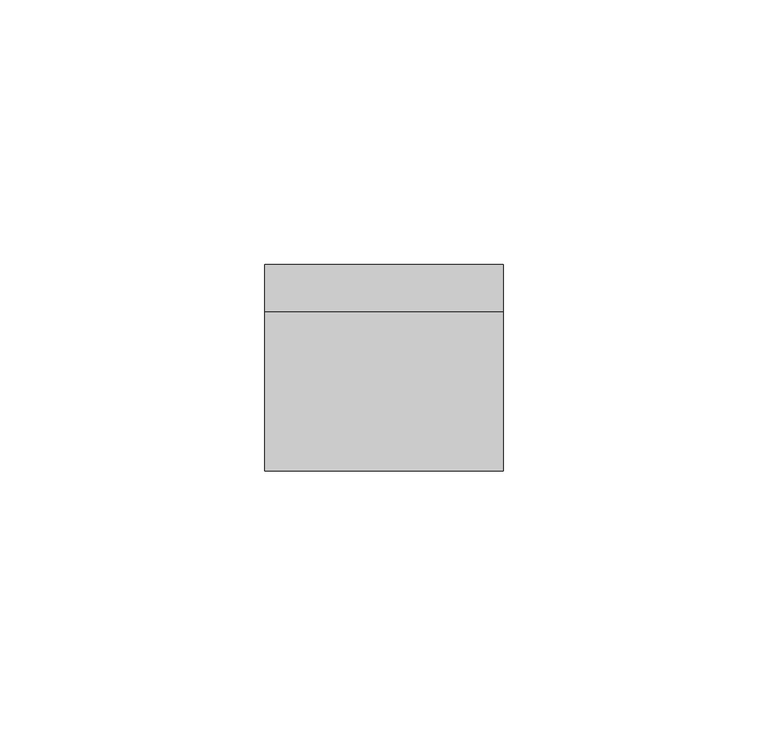
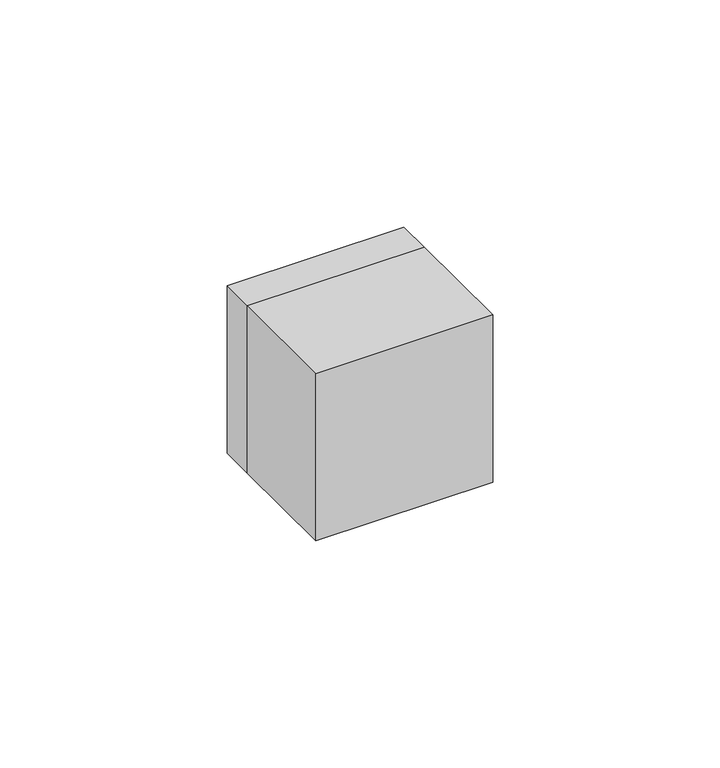
"""IFC4 building model written with IfcOpenShell, lengths in millimetres: electric appliance geometry."""

from ifc_helpers import new_model, si_unit, frame, origin, place, context, project, spatial, polyline, outline, extrude, source, transform, mapped, element, save


def electric_appliance_96c4d0c9(model_context):
    return source(origin(), model_context, "Body", "SweptSolid", [
        extrude(outline(polyline([(-4.0, 0.0), (-11.0, 0.0), (-11.0, 6.0), (-4.0, 6.0), (-4.0, 0.0)])), frame((0.0, 0.0, 4.0), z_axis=(0.0, 0.0, 1.0), x_axis=(1.0, 0.0, 0.0)), (0.0, 0.0, 1.0), 1.0),
        extrude(outline(polyline([(11.0, 0.0), (4.0, 0.0), (4.0, 6.0), (11.0, 6.0), (11.0, 0.0)])), frame((0.0, 0.0, 4.0), z_axis=(0.0, 0.0, 1.0), x_axis=(1.0, 0.0, 0.0)), (0.0, 0.0, 1.0), 1.0),
        extrude(outline(polyline([(22.5, -30.0), (-22.5, -30.0), (-22.5, 0.0), (22.5, 0.0), (22.5, -30.0)])), frame((0.0, 0.0, -22.5), z_axis=(0.0, 0.0, 1.0), x_axis=(1.0, 0.0, 0.0)), (0.0, 0.0, 1.0), 45.0),
        extrude(outline(polyline([(22.5, 22.5), (22.5, -22.5), (-22.5, -22.5), (-22.5, 22.5), (22.5, 22.5)]), holes=[polyline([(-6.0, 1.0), (8.0, 1.0), (8.0, 14.0), (-6.0, 14.0), (-6.0, 1.0)]), polyline([(-6.0, -14.0), (8.0, -14.0), (8.0, -1.0), (-6.0, -1.0), (-6.0, -14.0)])]), frame((0.0, 0.0, 0.0), z_axis=(0.0, 1.0, 0.0), x_axis=(0.0, 0.0, 1.0)), (0.0, 0.0, 1.0), 9.0),
        extrude(outline(polyline([(7.8, 13.8), (7.8, 1.2), (-5.8, 1.2), (-5.8, 13.8), (7.8, 13.8)]), holes=[polyline([(-3.5, 4.0), (-2.0, 4.0), (-2.0, 2.5), (5.0, 2.5), (5.0, 12.5), (-2.0, 12.5), (-2.0, 11.0), (-3.5, 11.0), (-3.5, 9.5), (-5.0, 9.5), (-5.0, 5.5), (-3.5, 5.5), (-3.5, 4.0)])]), frame((0.0, 0.0, 0.0), z_axis=(0.0, 1.0, 0.0), x_axis=(0.0, 0.0, 1.0)), (0.0, 0.0, 1.0), 9.0),
        extrude(outline(polyline([(7.8, -1.2), (7.8, -13.8), (-5.8, -13.8), (-5.8, -1.2), (7.8, -1.2)]), holes=[polyline([(-3.5, -11.0), (-2.0, -11.0), (-2.0, -12.5), (5.0, -12.5), (5.0, -2.5), (-2.0, -2.5), (-2.0, -4.0), (-3.5, -4.0), (-3.5, -5.5), (-5.0, -5.5), (-5.0, -9.5), (-3.5, -9.5), (-3.5, -11.0)])]), frame((0.0, 0.0, 0.0), z_axis=(0.0, 1.0, 0.0), x_axis=(0.0, 0.0, 1.0)), (0.0, 0.0, 1.0), 9.0),
    ])


if __name__ == "__main__":
    model = new_model("IFC4")
    model_context = context("Model", 3, world=origin())
    ifc_project = project(units=[si_unit("LENGTHUNIT", "METRE", prefix="MILLI")], contexts=[model_context])
    site = spatial("IfcSite", under=ifc_project)
    building = spatial("IfcBuilding", under=site)
    placement = place(None, origin())
    electric_appliance_shape = electric_appliance_96c4d0c9(model_context)
    element("IfcElectricAppliance", 1, at=placement, inside=building, context=model_context, shape_type="MappedRepresentation", body=[
        mapped(electric_appliance_shape, transform((0.0, 0.0, 0.0), x_axis=(1.0, 0.0, 0.0), y_axis=(0.0, 1.0, 0.0), z_axis=(0.0, 0.0, 1.0))),
    ])
    save(model, "model.ifc")
